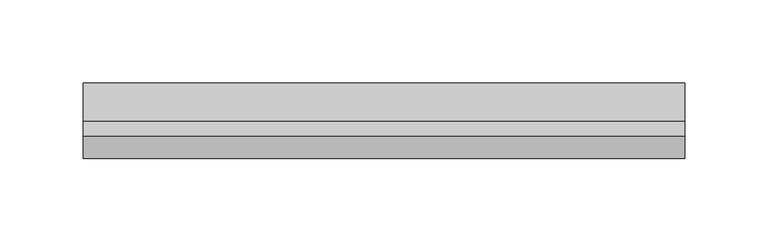
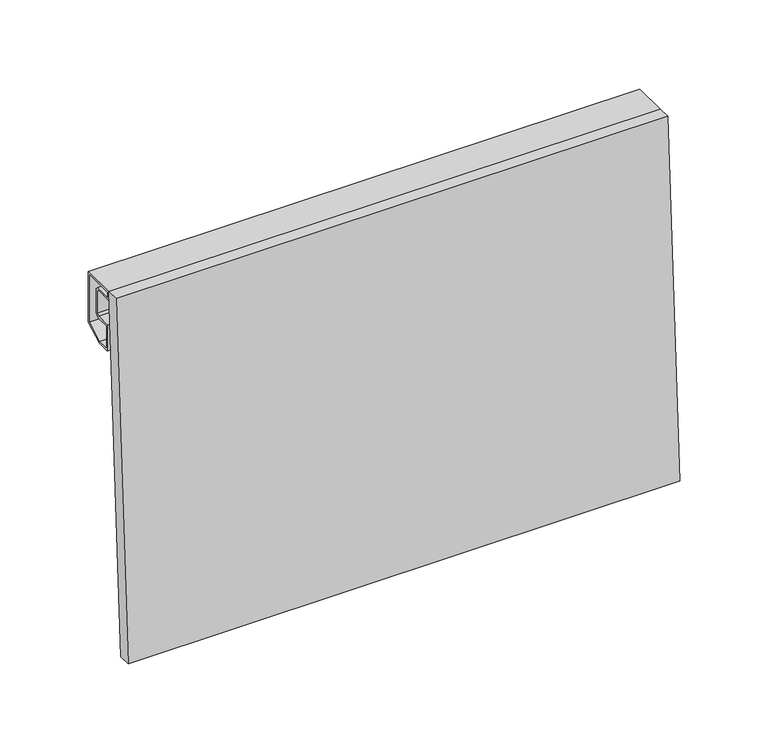
"""IFC4 building model written with IfcOpenShell, lengths in millimetres: plate geometry."""

from ifc_helpers import new_model, si_unit, frame, origin, place, context, project, spatial, polyline, outline, extrude, source, transform, mapped, element, save


def plate_2ee2ca46(model_context):
    return source(origin(), model_context, "Body", "SweptSolid", [
        extrude(outline(polyline([(0.0, 8.5), (360.0, 8.5), (360.0, 0.0), (0.0, 0.0), (0.0, 8.5)])), frame((180.0, -13.5334089, 0.0), z_axis=(0.0, 0.055379672542005536, 0.9984653683874771), x_axis=(-1.0, 0.0, 0.0)), (0.0, 0.0, 1.0), 244.3750256),
        extrude(outline(polyline([(23.0, 209.1685791), (10.3922729, 202.0), (1.5, 202.0), (1.5, 220.0), (11.5857849, 220.0), (13.0, 221.4142151), (13.0, 236.5857849), (11.5857849, 238.0), (0.0, 238.0), (0.0, 244.0), (23.0, 244.0), (23.0, 209.1685791)]), holes=[polyline([(1.5, 242.5), (1.5, 239.5), (12.2071053, 239.5), (14.5, 237.2071053), (14.5, 220.7928947), (12.2071053, 218.5), (3.0, 218.5), (3.0, 203.5), (9.9956483, 203.5), (21.5, 210.0412151), (21.5, 242.5), (1.5, 242.5)])]), frame((-180.0, 0.0, 0.0), z_axis=(1.0, 0.0, 0.0), x_axis=(0.0, 1.0, 0.0)), (0.0, 0.0, 1.0), 360.0),
    ])


if __name__ == "__main__":
    model = new_model("IFC4")
    model_context = context("Model", 3, world=origin())
    ifc_project = project(units=[si_unit("LENGTHUNIT", "METRE", prefix="MILLI")], contexts=[model_context])
    site = spatial("IfcSite", under=ifc_project)
    building = spatial("IfcBuilding", under=site)
    placement = place(None, origin())
    plate_shape = plate_2ee2ca46(model_context)
    element("IfcPlate", 1, at=placement, inside=building, context=model_context, shape_type="MappedRepresentation", body=[
        mapped(plate_shape, transform((0.0, 0.0, 0.0), x_axis=(1.0, 0.0, 0.0), y_axis=(0.0, 1.0, 0.0), z_axis=(0.0, 0.0, 1.0))),
    ])
    save(model, "model.ifc")
